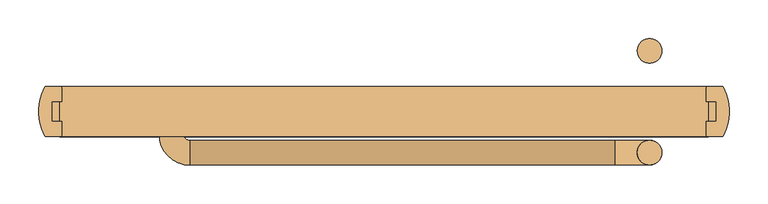
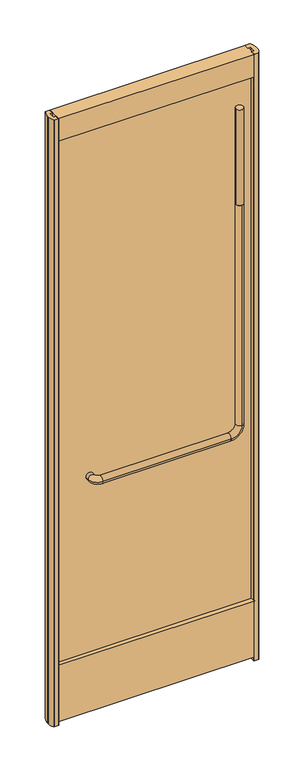
"""IFC4 building model written with IfcOpenShell, lengths in millimetres: door geometry."""

from ifc_helpers import new_model, si_unit, point, frame, frame_2d, origin, origin_with_axes, place, context, project, spatial, polyline, circle_curve, ellipse_curve, trimmed, segment, composite_curve, outline, extrude, source, transform, mapped, element, save
from ifc_brep_helpers import plane_surface, cylinder_surface, revolved_surface, advanced_brep


def door_790c932e(model_context):
    return source(origin(), model_context, "Body", "SolidModel", [
        extrude(outline(composite_curve([segment(trimmed(circle_curve(frame_2d((343.28735, -53.1813703)), 15.875), [point((327.41235, -53.1813703))], [point((359.16235, -53.1813703))], False, "CARTESIAN"), True, "CONTINUOUS"), segment(trimmed(circle_curve(frame_2d((343.28735, -53.1813703)), 15.875), [point((359.16235, -53.1813703))], [point((327.41235, -53.1813703))], False, "CARTESIAN"), True, "CONTINUOUS")], self_intersect=False)), frame((0.0, 0.0, 2108.2), z_axis=(0.0, 0.0, 1.0), x_axis=(1.0, 0.0, 0.0)), (0.0, 0.0, 1.0), 431.8),
        extrude(outline(composite_curve([segment(trimmed(circle_curve(frame_2d((343.28735, 78.58125)), 15.875), [point((327.41235, 78.58125))], [point((359.16235, 78.58125))], False, "CARTESIAN"), True, "CONTINUOUS"), segment(trimmed(circle_curve(frame_2d((343.28735, 78.58125)), 15.875), [point((359.16235, 78.58125))], [point((327.41235, 78.58125))], False, "CARTESIAN"), True, "CONTINUOUS")], self_intersect=False)), frame((0.0, 0.0, 104.5539297), z_axis=(0.0, 0.0, 1.0), x_axis=(1.0, 0.0, 0.0)), (0.0, 0.0, 1.0), 2435.4460703),
        advanced_brep(
        [(-250.8455099, -37.3063703, 1066.8), (298.83735, -37.3063703, 1066.8), (298.83735, -69.0563703, 1066.8), (-250.8455099, -69.0563703, 1066.8), (343.28735, -69.0563703, 1111.25), (343.28735, -37.3063703, 1111.25), (343.28735, -69.0563703, 2108.2), (343.28735, -37.3063703, 2108.2), (-258.9058808, 0.0, 1066.8), (-290.6558808, 0.0, 1066.8), (-290.6558808, -29.2459994, 1066.8), (-258.9058808, -29.2459994, 1066.8)],
        [
            (0, 1),
            (1, 2, circle_curve(frame((298.83735, -53.1813703, 1066.8), z_axis=(-1.0, 0.0, 0.0), x_axis=(0.0, -1.0, 0.0)), 15.875)),
            (2, 3),
            (3, 0, circle_curve(frame((-250.8455099, -53.1813703, 1066.8), z_axis=(1.0, 0.0, 0.0), x_axis=(0.0, -1.0, 0.0)), 15.875)),
            (4, 5, circle_curve(frame((343.28735, -53.1813703, 1111.25), z_axis=(0.0, 0.0, -1.0), x_axis=(0.0, -1.0, 0.0)), 15.875)),
            (5, 1, circle_curve(frame((298.83735, -37.3063703, 1111.25), z_axis=(0.0, 1.0, 0.0), x_axis=(0.0, 0.0, -1.0)), 44.45)),
            (1, 2, circle_curve(frame((298.83735, -53.1813703, 1066.8), z_axis=(1.0, 0.0, 0.0), x_axis=(0.0, -1.0, 0.0)), 15.875)),
            (2, 4, circle_curve(frame((298.83735, -69.0563703, 1111.25), z_axis=(0.0, -1.0, 0.0), x_axis=(0.0, 0.0, -1.0)), 44.45)),
            (4, 6),
            (6, 7, circle_curve(frame((343.28735, -53.1813703, 2108.2), z_axis=(0.0, 0.0, -1.0), x_axis=(0.0, -1.0, 0.0)), 15.875)),
            (7, 5),
            (7, 6, circle_curve(frame((343.28735, -53.1813703, 2108.2), z_axis=(0.0, 0.0, -1.0), x_axis=(0.0, -1.0, 0.0)), 15.875)),
            (4, 5, circle_curve(frame((343.28735, -53.1813703, 1111.25), z_axis=(0.0, 0.0, 1.0), x_axis=(0.0, -1.0, 0.0)), 15.875)),
            (8, 9, circle_curve(frame((-274.7808808, 0.0, 1066.8), z_axis=(0.0, 1.0, 0.0), x_axis=(-1.0, 0.0, 0.0)), 15.875)),
            (9, 8, circle_curve(frame((-274.7808808, 0.0, 1066.8), z_axis=(0.0, 1.0, 0.0), x_axis=(-1.0, 0.0, 0.0)), 15.875)),
            (9, 10),
            (10, 11, circle_curve(frame((-274.7808808, -29.2459994, 1066.8), z_axis=(0.0, 1.0, 0.0), x_axis=(-1.0, 0.0, 0.0)), 15.875)),
            (11, 8),
            (11, 10, circle_curve(frame((-274.7808808, -29.2459994, 1066.8), z_axis=(0.0, 1.0, 0.0), x_axis=(-1.0, 0.0, 0.0)), 15.875)),
            (3, 0, circle_curve(frame((-250.8455099, -53.1813703, 1066.8), z_axis=(-1.0, 0.0, 0.0), x_axis=(0.0, -1.0, 0.0)), 15.875)),
            (0, 11, circle_curve(frame((-250.8455099, -29.2459994, 1066.8), z_axis=(0.0, 0.0, -1.0), x_axis=(-1.0, 0.0, 0.0)), 8.0603709)),
            (10, 3, circle_curve(frame((-250.8455099, -29.2459994, 1066.8), z_axis=(0.0, 0.0, 1.0), x_axis=(-1.0, 0.0, 0.0)), 39.8103709)),
        ],
        [
            cylinder_surface(frame((-250.8455099, -53.1813703, 1066.8), z_axis=(-1.0, 0.0, 0.0), x_axis=(0.0, -1.0, 0.0)), 15.875),
            revolved_surface(trimmed(ellipse_curve(frame((298.83735, -53.1813703, 1066.8), z_axis=(1.0, 0.0, 0.0), x_axis=(0.0, -1.0, 0.0)), 15.875, 15.875), [point((298.83735, -37.3063703, 1066.8))], [point((298.83735, -69.0563703, 1066.8))], True, "CARTESIAN"), (298.83735, -53.18125, 1111.25), (0.0, 1.0, 0.0)),
            cylinder_surface(frame((343.28735, -53.1813703, 1111.25), z_axis=(0.0, 0.0, -1.0), x_axis=(0.0, -1.0, 0.0)), 15.875),
            plane_surface(frame((-290.6558808, 0.0, 1066.8), z_axis=(0.0, 1.0, 0.0), x_axis=(0.0, 0.0, 1.0))),
            plane_surface(frame((343.28735, -37.3061297, 2108.2), z_axis=(0.0, 0.0, 1.0), x_axis=(1.0, 0.0, 0.0))),
            cylinder_surface(frame((-274.7808808, 0.0, 1066.8), z_axis=(0.0, 1.0, 0.0), x_axis=(-1.0, 0.0, 0.0)), 15.875),
            revolved_surface(trimmed(ellipse_curve(frame((-274.7808808, -29.2459994, 1066.8), z_axis=(0.0, -1.0, 0.0), x_axis=(-1.0, 0.0, 0.0)), 15.875, 15.875), [point((-258.9058808, -29.2459994, 1066.8))], [point((-290.6558808, -29.2459994, 1066.8))], True, "CARTESIAN"), (-250.8455099, -29.2459994, 1066.8), (0.0, 0.0, -1.0)),
            revolved_surface(trimmed(ellipse_curve(frame((-274.7808808, -29.2459994, 1066.8), z_axis=(0.0, -1.0, 0.0), x_axis=(-1.0, 0.0, 0.0)), 15.875, 15.875), [point((-290.6558808, -29.2459994, 1066.8))], [point((-258.9058808, -29.2459994, 1066.8))], True, "CARTESIAN"), (-250.8455099, -29.2459994, 1066.8), (0.0, 0.0, -1.0)),
            revolved_surface(trimmed(ellipse_curve(frame((298.83735, -53.1813703, 1066.8), z_axis=(1.0, 0.0, 0.0), x_axis=(0.0, -1.0, 0.0)), 15.875, 15.875), [point((298.83735, -69.0563703, 1066.8))], [point((298.83735, -37.3063703, 1066.8))], True, "CARTESIAN"), (298.83735, -53.18125, 1111.25), (0.0, 1.0, 0.0)),
        ],
        [
            (0, [[1, 2, 3, 4]]),
            (1, [[5, 6, 7, 8]]),
            (2, [[9, 10, 11, -5]]),
            (2, [[-11, 12, -9, 13]]),
            (3, [[14, 15]]),
            (4, [[-10, -12]]),
            (5, [[16, 17, 18, -15]]),
            (5, [[-18, 19, -16, -14]]),
            (6, [[20, 21, -17, 22]]),
            (7, [[-4, -22, -19, -21]]),
            (0, [[-3, -7, -1, -20]]),
            (8, [[-13, -8, -2, -6]]),
        ],
    ),
        extrude(outline(composite_curve([segment(trimmed(circle_curve(frame_2d((437.100056, 30.6583726)), 1.7018), [point((437.100056, 32.3601726))], [point((438.6044538, 31.4539294))], False, "CARTESIAN"), True, "CONTINUOUS"), segment(trimmed(circle_curve(frame_2d((379.1246083, -0.0002496)), 67.2846), [point((438.6044538, 31.4539294))], [point((446.3064709, 3.7165681))], False, "CARTESIAN"), True, "CONTINUOUS"), segment(polyline([(446.3064709, 3.7165681), (446.3064709, -3.7165681)]), True, "CONTINUOUS"), segment(trimmed(circle_curve(frame_2d((379.1246083, 0.0002496)), 67.2846), [point((446.3064709, -3.7165681))], [point((438.6044538, -31.4539294))], False, "CARTESIAN"), True, "CONTINUOUS"), segment(trimmed(circle_curve(frame_2d((437.100056, -30.6583726)), 1.7018), [point((438.6044538, -31.4539294))], [point((437.100056, -32.3601726))], False, "CARTESIAN"), True, "CONTINUOUS"), segment(polyline([(437.100056, -32.3601726), (418.320465, -32.3601726)]), True, "CONTINUOUS"), segment(trimmed(circle_curve(frame_2d((418.320465, -30.6583726)), 1.7018), [point((418.320465, -32.3601726))], [point((416.618665, -30.6583726))], False, "CARTESIAN"), True, "CONTINUOUS"), segment(polyline([(416.618665, -30.6583726), (416.618665, -12.7), (429.6673733, -12.7), (429.6673733, 12.7), (416.618665, 12.7), (416.618665, 30.6583726)]), True, "CONTINUOUS"), segment(trimmed(circle_curve(frame_2d((418.320465, 30.6583726)), 1.7018), [point((416.618665, 30.6583726))], [point((418.320465, 32.3601726))], False, "CARTESIAN"), True, "CONTINUOUS"), segment(polyline([(418.320465, 32.3601726), (437.100056, 32.3601726)]), True, "CONTINUOUS")], self_intersect=False)), origin_with_axes(), (0.0, 0.0, 1.0), 2743.2),
        extrude(outline(composite_curve([segment(polyline([(-437.100056, 32.3601726), (-418.320465, 32.3601726)]), True, "CONTINUOUS"), segment(trimmed(circle_curve(frame_2d((-418.320465, 30.6583726)), 1.7018), [point((-418.320465, 32.3601726))], [point((-416.618665, 30.6583726))], False, "CARTESIAN"), True, "CONTINUOUS"), segment(polyline([(-416.618665, 30.6583726), (-416.618665, 12.7), (-429.6673733, 12.7), (-429.6673733, -12.7), (-416.618665, -12.7), (-416.618665, -30.6583726)]), True, "CONTINUOUS"), segment(trimmed(circle_curve(frame_2d((-418.320465, -30.6583726)), 1.7018), [point((-416.618665, -30.6583726))], [point((-418.320465, -32.3601726))], False, "CARTESIAN"), True, "CONTINUOUS"), segment(polyline([(-418.320465, -32.3601726), (-437.100056, -32.3601726)]), True, "CONTINUOUS"), segment(trimmed(circle_curve(frame_2d((-437.100056, -30.6583726)), 1.7018), [point((-437.100056, -32.3601726))], [point((-438.6044538, -31.4539294))], False, "CARTESIAN"), True, "CONTINUOUS"), segment(trimmed(circle_curve(frame_2d((-379.1246083, 0.0002496)), 67.2846), [point((-438.6044538, -31.4539294))], [point((-446.3064709, -3.7165681))], False, "CARTESIAN"), True, "CONTINUOUS"), segment(polyline([(-446.3064709, -3.7165681), (-446.3064709, 3.7165681)]), True, "CONTINUOUS"), segment(trimmed(circle_curve(frame_2d((-379.1246083, -0.0002496)), 67.2846), [point((-446.3064709, 3.7165681))], [point((-438.6044538, 31.4539294))], False, "CARTESIAN"), True, "CONTINUOUS"), segment(trimmed(circle_curve(frame_2d((-437.100056, 30.6583726)), 1.7018), [point((-438.6044538, 31.4539294))], [point((-437.100056, 32.3601726))], False, "CARTESIAN"), True, "CONTINUOUS")], self_intersect=False)), origin_with_axes(), (0.0, 0.0, 1.0), 2743.2),
        extrude(outline(polyline([(429.8357524, 12.7), (429.8357524, -12.7), (-429.7068813, -12.7), (-429.7068813, 12.7), (429.8357524, 12.7)])), frame((0.0, 0.0, 17.4625), z_axis=(0.0, 0.0, 1.0), x_axis=(1.0, 0.0, 0.0)), (0.0, 0.0, 1.0), 2636.8375),
        extrude(outline(polyline([(12.7, 271.4625), (32.3601726, 271.4625), (32.3601726, 17.4625), (-32.3601726, 17.4625), (-32.3601726, 271.4625), (-12.7, 271.4625), (-12.7, 258.7625), (12.7, 258.7625), (12.7, 271.4625)])), frame((-419.184065, 0.0, 0.0), z_axis=(1.0, 0.0, 0.0), x_axis=(0.0, 1.0, 0.0)), (0.0, 0.0, 1.0), 838.3681299),
        extrude(outline(polyline([(-32.3601726, 2743.2), (32.3601726, 2743.2), (32.3601726, 2641.6), (12.7, 2641.6), (12.7, 2654.3), (-12.7, 2654.3), (-12.7, 2641.6), (-32.3601726, 2641.6), (-32.3601726, 2743.2)])), frame((-419.184065, 0.0, 0.0), z_axis=(1.0, 0.0, 0.0), x_axis=(0.0, 1.0, 0.0)), (0.0, 0.0, 1.0), 838.3681299),
    ])


if __name__ == "__main__":
    model = new_model("IFC4")
    model_context = context("Model", 3, world=origin())
    ifc_project = project(units=[si_unit("LENGTHUNIT", "METRE", prefix="MILLI")], contexts=[model_context])
    site = spatial("IfcSite", under=ifc_project)
    building = spatial("IfcBuilding", under=site)
    placement = place(None, origin())
    door_shape = door_790c932e(model_context)
    element("IfcDoor", 1, at=placement, inside=building, context=model_context, shape_type="MappedRepresentation", body=[
        mapped(door_shape, transform((0.0, 0.0, 0.0), x_axis=(1.0, 0.0, 0.0), y_axis=(0.0, 1.0, 0.0), z_axis=(0.0, 0.0, 1.0))),
    ])
    save(model, "model.ifc")
